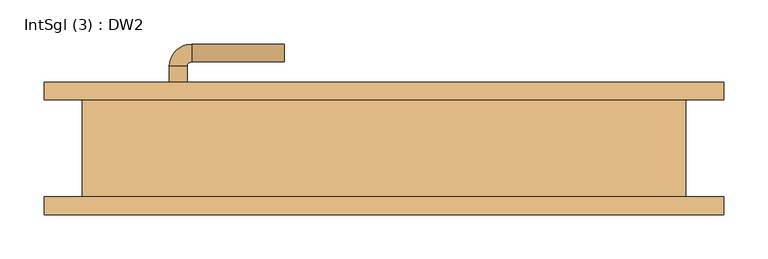
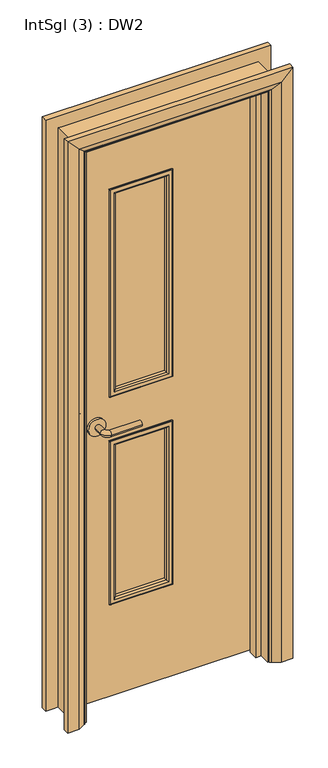
"""IFC4 building model written with IfcOpenShell, lengths in millimetres: door geometry, IntSgl (3) : DW2."""

from ifc_helpers import new_model, si_unit, point, frame, frame_2d, origin, place, context, project, spatial, polyline, circle_curve, ellipse_curve, trimmed, segment, composite_curve, outline, extrude, faceted_brep, source, transform, mapped, element, save
from ifc_brep_helpers import plane_surface, cylinder_surface, revolved_surface, advanced_brep


def intsgl_3_dw2_f2cca43b(model_context):
    return source(origin(), model_context, "Body", "SolidModel", [
        advanced_brep(
        [(-243.0, 9.0, 1000.0), (-223.0, 9.0, 1000.0), (-223.0, -21.0, 1000.0), (-243.0, -21.0, 1000.0), (-218.0, -26.0, 1000.0), (-218.0, -46.0, 1000.0), (-113.0, -46.0, 1000.0), (-113.0, -26.0, 1000.0)],
        [
            (0, 1, circle_curve(frame((-233.0, 9.0, 1000.0), z_axis=(0.0, 1.0, 0.0), x_axis=(1.0, 0.0, 0.0)), 10.0)),
            (1, 0, circle_curve(frame((-233.0, 9.0, 1000.0), z_axis=(0.0, 1.0, 0.0), x_axis=(1.0, 0.0, 0.0)), 10.0)),
            (1, 2),
            (2, 3, circle_curve(frame((-233.0, -21.0, 1000.0), z_axis=(0.0, 1.0, 0.0), x_axis=(1.0, 0.0, 0.0)), 10.0)),
            (3, 0),
            (3, 2, circle_curve(frame((-233.0, -21.0, 1000.0), z_axis=(0.0, 1.0, 0.0), x_axis=(1.0, 0.0, 0.0)), 10.0)),
            (4, 5, circle_curve(frame((-218.0, -36.0, 1000.0), z_axis=(-1.0, 0.0, 0.0), x_axis=(0.0, 1.0, 0.0)), 10.0)),
            (5, 3, circle_curve(frame((-218.0, -21.0, 1000.0), z_axis=(0.0, 0.0, -1.0), x_axis=(-1.0, 0.0, 0.0)), 25.0)),
            (2, 4, circle_curve(frame((-218.0, -21.0, 1000.0), z_axis=(0.0, 0.0, 1.0), x_axis=(-1.0, 0.0, 0.0)), 5.0)),
            (5, 4, circle_curve(frame((-218.0, -36.0, 1000.0), z_axis=(-1.0, 0.0, 0.0), x_axis=(0.0, 1.0, 0.0)), 10.0)),
            (6, 7, circle_curve(frame((-113.0, -36.0, 1000.0), z_axis=(1.0, 0.0, 0.0), x_axis=(0.0, 1.0, 0.0)), 10.0)),
            (7, 6, circle_curve(frame((-113.0, -36.0, 1000.0), z_axis=(1.0, 0.0, 0.0), x_axis=(0.0, 1.0, 0.0)), 10.0)),
            (4, 7),
            (6, 5),
        ],
        [
            plane_surface(frame((-233.0, 9.0, 1000.0), z_axis=(0.0, 1.0, 0.0), x_axis=(0.0, 0.0, 1.0))),
            cylinder_surface(frame((-233.0, 9.0, 1000.0), z_axis=(0.0, 1.0, 0.0), x_axis=(1.0, 0.0, 0.0)), 10.0),
            revolved_surface(trimmed(ellipse_curve(frame((-233.0, -21.0, 1000.0), z_axis=(0.0, -1.0, 0.0), x_axis=(1.0, 0.0, 0.0)), 10.0, 10.0), [point((-243.0, -21.0, 1000.0))], [point((-223.0, -21.0, 1000.0))], True, "CARTESIAN"), (-218.0, -21.0, 1000.0), (0.0, 0.0, -1.0)),
            revolved_surface(trimmed(ellipse_curve(frame((-233.0, -21.0, 1000.0), z_axis=(0.0, -1.0, 0.0), x_axis=(1.0, 0.0, 0.0)), 10.0, 10.0), [point((-223.0, -21.0, 1000.0))], [point((-243.0, -21.0, 1000.0))], True, "CARTESIAN"), (-218.0, -21.0, 1000.0), (0.0, 0.0, -1.0)),
            plane_surface(frame((-113.0, -36.0, 1000.0), z_axis=(1.0, 0.0, 0.0), x_axis=(0.0, 0.0, 1.0))),
            cylinder_surface(frame((-218.0, -36.0, 1000.0), z_axis=(-1.0, 0.0, 0.0), x_axis=(0.0, 1.0, 0.0)), 10.0),
        ],
        [
            (0, [[1, 2]]),
            (1, [[3, 4, 5, -2]]),
            (1, [[-5, 6, -3, -1]]),
            (2, [[7, 8, -4, 9]]),
            (3, [[10, -9, -6, -8]]),
            (4, [[11, 12]]),
            (5, [[13, -11, 14, -7]]),
            (5, [[-14, -12, -13, -10]]),
        ],
    ),
        extrude(outline(composite_curve([segment(trimmed(circle_curve(frame_2d((1000.0, -235.5)), 30.0), [point((1000.0, -265.5))], [point((1000.0, -205.5))], False, "CARTESIAN"), True, "CONTINUOUS"), segment(trimmed(circle_curve(frame_2d((1000.0, -235.5)), 30.0), [point((1000.0, -205.5))], [point((1000.0, -265.5))], False, "CARTESIAN"), True, "CONTINUOUS")], self_intersect=False)), frame((0.0, 9.0, 0.0), z_axis=(0.0, 1.0, 0.0), x_axis=(0.0, 0.0, 1.0)), (0.0, 0.0, 1.0), 8.0),
        advanced_brep(
        [(-243.0, 63.0, 1000.0), (-223.0, 63.0, 1000.0), (-243.0, 93.0, 1000.0), (-223.0, 93.0, 1000.0), (-218.0, 98.0, 1000.0), (-218.0, 118.0, 1000.0), (-113.0, 118.0, 1000.0), (-113.0, 98.0, 1000.0)],
        [
            (0, 1, circle_curve(frame((-233.0, 63.0, 1000.0), z_axis=(0.0, -1.0, 0.0), x_axis=(1.0, 0.0, 0.0)), 10.0)),
            (1, 0, circle_curve(frame((-233.0, 63.0, 1000.0), z_axis=(0.0, -1.0, 0.0), x_axis=(1.0, 0.0, 0.0)), 10.0)),
            (0, 2),
            (2, 3, circle_curve(frame((-233.0, 93.0, 1000.0), z_axis=(0.0, -1.0, 0.0), x_axis=(1.0, 0.0, 0.0)), 10.0)),
            (3, 1),
            (3, 2, circle_curve(frame((-233.0, 93.0, 1000.0), z_axis=(0.0, -1.0, 0.0), x_axis=(1.0, 0.0, 0.0)), 10.0)),
            (4, 3, circle_curve(frame((-218.0, 93.0, 1000.0), z_axis=(0.0, 0.0, 1.0), x_axis=(-1.0, 0.0, 0.0)), 5.0)),
            (2, 5, circle_curve(frame((-218.0, 93.0, 1000.0), z_axis=(0.0, 0.0, -1.0), x_axis=(-1.0, 0.0, 0.0)), 25.0)),
            (5, 4, circle_curve(frame((-218.0, 108.0, 1000.0), z_axis=(-1.0, 0.0, 0.0), x_axis=(0.0, -1.0, 0.0)), 10.0)),
            (4, 5, circle_curve(frame((-218.0, 108.0, 1000.0), z_axis=(-1.0, 0.0, 0.0), x_axis=(0.0, -1.0, 0.0)), 10.0)),
            (6, 7, circle_curve(frame((-113.0, 108.0, 1000.0), z_axis=(1.0, 0.0, 0.0), x_axis=(0.0, -1.0, 0.0)), 10.0)),
            (7, 6, circle_curve(frame((-113.0, 108.0, 1000.0), z_axis=(1.0, 0.0, 0.0), x_axis=(0.0, -1.0, 0.0)), 10.0)),
            (5, 6),
            (7, 4),
        ],
        [
            plane_surface(frame((-233.0, 63.0, 1000.0), z_axis=(0.0, -1.0, 0.0), x_axis=(0.0, 0.0, 1.0))),
            cylinder_surface(frame((-233.0, 63.0, 1000.0), z_axis=(0.0, -1.0, 0.0), x_axis=(1.0, 0.0, 0.0)), 10.0),
            revolved_surface(trimmed(ellipse_curve(frame((-233.0, 93.0, 1000.0), z_axis=(0.0, -1.0, 0.0), x_axis=(1.0, 0.0, 0.0)), 10.0, 10.0), [point((-243.0, 93.0, 1000.0))], [point((-223.0, 93.0, 1000.0))], True, "CARTESIAN"), (-218.0, 93.0, 1000.0), (0.0, 0.0, -1.0)),
            revolved_surface(trimmed(ellipse_curve(frame((-233.0, 93.0, 1000.0), z_axis=(0.0, -1.0, 0.0), x_axis=(1.0, 0.0, 0.0)), 10.0, 10.0), [point((-223.0, 93.0, 1000.0))], [point((-243.0, 93.0, 1000.0))], True, "CARTESIAN"), (-218.0, 93.0, 1000.0), (0.0, 0.0, -1.0)),
            plane_surface(frame((-113.0, 108.0, 1000.0), z_axis=(1.0, 0.0, 0.0), x_axis=(0.0, 0.0, 1.0))),
            cylinder_surface(frame((-218.0, 108.0, 1000.0), z_axis=(-1.0, 0.0, 0.0), x_axis=(0.0, -1.0, 0.0)), 10.0),
        ],
        [
            (0, [[1, 2]]),
            (1, [[-1, 3, 4, 5]]),
            (1, [[-2, -5, 6, -3]]),
            (2, [[7, -4, 8, 9]]),
            (3, [[-8, -6, -7, 10]]),
            (4, [[11, 12]]),
            (5, [[-9, 13, -12, 14]]),
            (5, [[-10, -14, -11, -13]]),
        ],
    ),
        extrude(outline(composite_curve([segment(trimmed(circle_curve(frame_2d((1000.0, -235.5)), 30.0), [point((1000.0, -265.5))], [point((1000.0, -205.5))], False, "CARTESIAN"), True, "CONTINUOUS"), segment(trimmed(circle_curve(frame_2d((1000.0, -235.5)), 30.0), [point((1000.0, -205.5))], [point((1000.0, -265.5))], False, "CARTESIAN"), True, "CONTINUOUS")], self_intersect=False)), frame((0.0, 55.0, 0.0), z_axis=(0.0, 1.0, 0.0), x_axis=(0.0, 0.0, 1.0)), (0.0, 0.0, 1.0), 8.0),
        extrude(outline(polyline([(2058.0, -308.0), (8.0, -308.0), (8.0, 308.0), (2058.0, 308.0), (2058.0, -308.0)]), holes=[polyline([(1833.0, 17.0), (1100.0, 17.0), (1100.0, -183.0), (1833.0, -183.0), (1833.0, 17.0)]), polyline([(925.0, -183.0), (925.0, 17.0), (350.0, 17.0), (350.0, -183.0), (925.0, -183.0)])]), frame((0.0, 17.0, 0.0), z_axis=(0.0, 1.0, 0.0), x_axis=(0.0, 0.0, 1.0)), (0.0, 0.0, 1.0), 38.0),
        advanced_brep(
        [(385.0, 75.0, 0.0), (385.0, 55.0, 0.0), (315.0, 55.0, 0.0), (319.0, 61.0, 0.0), (345.0, 75.0, 0.0), (385.0, 75.0, 2135.0), (385.0, 55.0, 2135.0), (-385.0, 55.0, 2135.0), (-385.0, 55.0, 0.0), (-315.0, 55.0, 0.0), (-315.0, 55.0, 2065.0), (315.0, 55.0, 2065.0), (319.0, 61.0, 2069.0), (345.0, 75.0, 2095.0), (-345.0, 75.0, 2095.0), (-345.0, 75.0, 0.0), (-385.0, 75.0, 0.0), (-385.0, 75.0, 2135.0), (-319.0, 61.0, 2069.0), (-319.0, 61.0, 0.0)],
        [
            (0, 1),
            (1, 2),
            (2, 3, circle_curve(frame((323.0, 54.0, 0.0), z_axis=(0.0, 0.0, -1.0), x_axis=(1.0, 0.0, 0.0)), 8.0622577)),
            (3, 4),
            (4, 0),
            (0, 5),
            (5, 6),
            (6, 1),
            (6, 7),
            (7, 8),
            (8, 9),
            (9, 10),
            (10, 11),
            (11, 2),
            (11, 12, ellipse_curve(frame((323.0, 54.0, 2073.0), z_axis=(0.7071067811865475, 0.0, -0.7071067811865475), x_axis=(-0.7071067811865474, 0.0, -0.7071067811865476)), 11.4017543, 8.0622577)),
            (12, 3),
            (12, 13),
            (13, 4),
            (13, 14),
            (14, 15),
            (15, 16),
            (16, 17),
            (17, 5),
            (17, 7),
            (10, 18, ellipse_curve(frame((-323.0, 54.0, 2073.0), z_axis=(0.7071067811865475, 0.0, 0.7071067811865475), x_axis=(0.7071067811865476, 0.0, -0.7071067811865474)), 11.4017543, 8.0622577)),
            (18, 12),
            (18, 14),
            (15, 19),
            (19, 9, circle_curve(frame((-323.0, 54.0, 0.0), z_axis=(0.0, 0.0, -1.0), x_axis=(-1.0, 0.0, 0.0)), 8.0622577)),
            (8, 16),
            (19, 18),
        ],
        [
            plane_surface(frame((315.0, 55.0, 0.0), z_axis=(0.0, 0.0, -1.0), x_axis=(0.0, -1.0, 0.0))),
            plane_surface(frame((385.0, 75.0, 0.0), z_axis=(1.0, 0.0, 0.0), x_axis=(0.0, 0.0, 1.0))),
            plane_surface(frame((385.0, 55.0, 0.0), z_axis=(0.0, -1.0, 0.0), x_axis=(0.0, 0.0, 1.0))),
            cylinder_surface(frame((323.0, 54.0, 0.0), z_axis=(0.0, 0.0, -1.0), x_axis=(1.0, 0.0, 0.0)), 8.0622577),
            plane_surface(frame((319.0, 61.0, 0.0), z_axis=(-0.4740998230350126, 0.8804710999221779, 0.0), x_axis=(0.0, 0.0, 1.0))),
            plane_surface(frame((345.0, 75.0, 0.0), z_axis=(0.0, 1.0, 0.0), x_axis=(0.0, 0.0, 1.0))),
            plane_surface(frame((385.0, 75.0, 2135.0), z_axis=(0.0, 0.0, 1.0), x_axis=(-1.0, 0.0, 0.0))),
            cylinder_surface(frame((315.0, 54.0, 2073.0), z_axis=(1.0, 0.0, 0.0), x_axis=(0.0, 0.0, 1.0)), 8.0622577),
            plane_surface(frame((319.0, 61.0, 2069.0), z_axis=(0.0, 0.8804710999221763, -0.4740998230350154), x_axis=(-1.0, 0.0, 0.0))),
            plane_surface(frame((-315.0, 55.0, 0.0), z_axis=(0.0, 0.0, -1.0), x_axis=(0.0, -1.0, 0.0))),
            plane_surface(frame((-385.0, 75.0, 2135.0), z_axis=(-1.0, 0.0, 0.0), x_axis=(0.0, 0.0, -1.0))),
            cylinder_surface(frame((-323.0, 54.0, 2065.0), z_axis=(0.0, 0.0, 1.0), x_axis=(-1.0, 0.0, 0.0)), 8.0622577),
            plane_surface(frame((-319.0, 61.0, 2069.0), z_axis=(0.4740998230350183, 0.8804710999221749, 0.0), x_axis=(0.0, 0.0, -1.0))),
        ],
        [
            (0, [[1, 2, 3, 4, 5]]),
            (1, [[-1, 6, 7, 8]]),
            (2, [[-2, -8, 9, 10, 11, 12, 13, 14]]),
            (3, [[-3, -14, 15, 16]]),
            (4, [[-4, -16, 17, 18]]),
            (5, [[-5, -18, 19, 20, 21, 22, 23, -6]]),
            (6, [[-7, -23, 24, -9]]),
            (7, [[-15, -13, 25, 26]]),
            (8, [[-17, -26, 27, -19]]),
            (9, [[-21, 28, 29, -11, 30]]),
            (10, [[-24, -22, -30, -10]]),
            (11, [[-25, -12, -29, 31]]),
            (12, [[-27, -31, -28, -20]]),
        ],
    ),
        extrude(outline(polyline([(0.0, -310.0), (0.0, -291.0), (2041.0, -291.0), (2041.0, 291.0), (0.0, 291.0), (0.0, 310.0), (2060.0, 310.0), (2060.0, -310.0), (0.0, -310.0)])), frame((0.0, -17.0, 0.0), z_axis=(0.0, 1.0, 0.0), x_axis=(0.0, 0.0, 1.0)), (0.0, 0.0, 1.0), 32.0),
        advanced_brep(
        [(-385.0, -75.0, 0.0), (-385.0, -55.0, 0.0), (-315.0, -55.0, 0.0), (-319.0, -61.0, 0.0), (-345.0, -75.0, 0.0), (-385.0, -75.0, 2135.0), (-385.0, -55.0, 2135.0), (-315.0, -55.0, 2065.0), (-319.0, -61.0, 2069.0), (-345.0, -75.0, 2095.0), (385.0, -75.0, 2135.0), (385.0, -55.0, 2135.0), (315.0, -55.0, 2065.0), (319.0, -61.0, 2069.0), (345.0, -75.0, 2095.0), (385.0, -75.0, 0.0), (345.0, -75.0, 0.0), (319.0, -61.0, 0.0), (315.0, -55.0, 0.0), (385.0, -55.0, 0.0)],
        [
            (0, 1),
            (1, 2),
            (2, 3, circle_curve(frame((-323.0, -54.0, 0.0), z_axis=(0.0, 0.0, -1.0), x_axis=(-1.0, 0.0, 0.0)), 8.0622577)),
            (3, 4),
            (4, 0),
            (0, 5),
            (5, 6),
            (6, 1),
            (6, 7),
            (7, 2),
            (7, 8, ellipse_curve(frame((-323.0, -54.0, 2073.0), z_axis=(-0.7071067811865475, 0.0, -0.7071067811865475), x_axis=(0.7071067811865474, 0.0, -0.7071067811865476)), 11.4017543, 8.0622577)),
            (8, 3),
            (8, 9),
            (9, 4),
            (9, 5),
            (5, 10),
            (10, 11),
            (11, 6),
            (11, 12),
            (12, 7),
            (12, 13, ellipse_curve(frame((323.0, -54.0, 2073.0), z_axis=(-0.7071067811865475, 0.0, 0.7071067811865475), x_axis=(-0.7071067811865476, 0.0, -0.7071067811865474)), 11.4017543, 8.0622577)),
            (13, 8),
            (13, 14),
            (14, 9),
            (14, 10),
            (15, 16),
            (16, 17),
            (17, 18, circle_curve(frame((323.0, -54.0, 0.0), z_axis=(0.0, 0.0, -1.0), x_axis=(1.0, 0.0, 0.0)), 8.0622577)),
            (18, 19),
            (19, 15),
            (10, 15),
            (19, 11),
            (18, 12),
            (17, 13),
            (16, 14),
        ],
        [
            plane_surface(frame((-315.0, -127.8010989, 0.0), z_axis=(0.0, 0.0, -1.0), x_axis=(1.0, 0.0, 0.0))),
            plane_surface(frame((-385.0, -75.0, 0.0), z_axis=(-1.0, 0.0, 0.0), x_axis=(0.0, 0.0, 1.0))),
            plane_surface(frame((-385.0, -55.0, 0.0), z_axis=(0.0, 1.0, 0.0), x_axis=(0.0, 0.0, 1.0))),
            cylinder_surface(frame((-323.0, -54.0, 0.0), z_axis=(0.0, 0.0, -1.0), x_axis=(-1.0, 0.0, 0.0)), 8.0622577),
            plane_surface(frame((-319.0, -61.0, 0.0), z_axis=(0.4740998230350183, -0.8804710999221749, 0.0), x_axis=(0.0, 0.0, 1.0))),
            plane_surface(frame((-345.0, -75.0, 0.0), z_axis=(0.0, -1.0, 0.0), x_axis=(0.0, 0.0, 1.0))),
            plane_surface(frame((-385.0, -75.0, 2135.0), z_axis=(0.0, 0.0, 1.0), x_axis=(1.0, 0.0, 0.0))),
            plane_surface(frame((-385.0, -55.0, 2135.0), z_axis=(0.0, 1.0, 0.0), x_axis=(1.0, 0.0, 0.0))),
            cylinder_surface(frame((-315.0, -54.0, 2073.0), z_axis=(-1.0, 0.0, 0.0), x_axis=(0.0, 0.0, 1.0)), 8.0622577),
            plane_surface(frame((-319.0, -61.0, 2069.0), z_axis=(0.0, -0.8804710999221749, -0.4740998230350183), x_axis=(1.0, 0.0, 0.0))),
            plane_surface(frame((-345.0, -75.0, 2095.0), z_axis=(0.0, -1.0, 0.0), x_axis=(1.0, 0.0, 0.0))),
            plane_surface(frame((315.0, -127.8010989, 0.0), z_axis=(0.0, 0.0, -1.0), x_axis=(-1.0, 0.0, 0.0))),
            plane_surface(frame((385.0, -75.0, 2135.0), z_axis=(1.0, 0.0, 0.0), x_axis=(0.0, 0.0, -1.0))),
            plane_surface(frame((385.0, -55.0, 2135.0), z_axis=(0.0, 1.0, 0.0), x_axis=(0.0, 0.0, -1.0))),
            cylinder_surface(frame((323.0, -54.0, 2065.0), z_axis=(0.0, 0.0, 1.0), x_axis=(1.0, 0.0, 0.0)), 8.0622577),
            plane_surface(frame((319.0, -61.0, 2069.0), z_axis=(-0.4740998230350183, -0.8804710999221749, 0.0), x_axis=(0.0, 0.0, -1.0))),
            plane_surface(frame((345.0, -75.0, 2095.0), z_axis=(0.0, -1.0, 0.0), x_axis=(0.0, 0.0, -1.0))),
        ],
        [
            (0, [[1, 2, 3, 4, 5]]),
            (1, [[-1, 6, 7, 8]]),
            (2, [[-2, -8, 9, 10]]),
            (3, [[-3, -10, 11, 12]]),
            (4, [[-4, -12, 13, 14]]),
            (5, [[-5, -14, 15, -6]]),
            (6, [[-7, 16, 17, 18]]),
            (7, [[-9, -18, 19, 20]]),
            (8, [[-11, -20, 21, 22]]),
            (9, [[-13, -22, 23, 24]]),
            (10, [[-15, -24, 25, -16]]),
            (11, [[26, 27, 28, 29, 30]]),
            (12, [[-17, 31, -30, 32]]),
            (13, [[-19, -32, -29, 33]]),
            (14, [[-21, -33, -28, 34]]),
            (15, [[-23, -34, -27, 35]]),
            (16, [[-25, -35, -26, -31]]),
        ],
    ),
        faceted_brep([(-310.0, 55.0, 0.0), (-310.0, -55.0, 0.0), (-342.0, -55.0, 0.0), (-342.0, 55.0, 0.0), (-310.0, 55.0, 2060.0), (-310.0, -55.0, 2060.0), (-342.0, -55.0, 2092.0), (-342.0, 55.0, 2092.0), (310.0, 55.0, 2060.0), (310.0, -55.0, 2060.0), (342.0, -55.0, 2092.0), (342.0, 55.0, 2092.0), (310.0, 55.0, 0.0), (342.0, 55.0, 0.0), (342.0, -55.0, 0.0), (310.0, -55.0, 0.0)], [[[0, 1, 2, 3]], [[1, 0, 4, 5]], [[2, 1, 5, 6]], [[3, 2, 6, 7]], [[0, 3, 7, 4]], [[5, 4, 8, 9]], [[6, 5, 9, 10]], [[7, 6, 10, 11]], [[4, 7, 11, 8]], [[12, 13, 14, 15]], [[9, 8, 12, 15]], [[10, 9, 15, 14]], [[11, 10, 14, 13]], [[8, 11, 13, 12]]]),
        advanced_brep(
        [(17.0, 27.0, 925.0), (17.0, 17.0, 925.0), (17.0, 17.0, 350.0), (17.0, 27.0, 350.0), (5.0, 16.0, 913.0), (5.0, 27.0, 913.0), (5.0, 27.0, 362.0), (5.0, 16.0, 362.0), (10.0, 11.0, 918.0), (10.0, 11.0, 357.0), (25.0, 13.0, 933.0), (23.0, 11.0, 931.0), (23.0, 11.0, 344.0), (25.0, 13.0, 342.0), (25.0, 17.0, 933.0), (25.0, 17.0, 342.0), (-183.0, 17.0, 350.0), (-183.0, 27.0, 350.0), (-171.0, 27.0, 362.0), (-171.0, 16.0, 362.0), (-176.0, 11.0, 357.0), (-189.0, 11.0, 344.0), (-191.0, 13.0, 342.0), (-191.0, 17.0, 342.0), (-183.0, 17.0, 925.0), (-183.0, 27.0, 925.0), (-171.0, 27.0, 913.0), (-171.0, 16.0, 913.0), (-176.0, 11.0, 918.0), (-189.0, 11.0, 931.0), (-191.0, 13.0, 933.0), (-191.0, 17.0, 933.0)],
        [
            (0, 1),
            (1, 2),
            (2, 3),
            (3, 0),
            (4, 5),
            (5, 6),
            (6, 7),
            (7, 4),
            (8, 4, ellipse_curve(frame((10.0, 16.0, 918.0), z_axis=(0.7071067811865475, 0.0, -0.7071067811865475), x_axis=(0.7071067811865474, 0.0, 0.7071067811865476)), 7.0710678, 5.0)),
            (7, 9, ellipse_curve(frame((10.0, 16.0, 357.0), z_axis=(0.7071067811865475, 0.0, 0.7071067811865475), x_axis=(-0.7071067811865474, 0.0, 0.7071067811865476)), 7.0710678, 5.0)),
            (9, 8),
            (10, 11, ellipse_curve(frame((23.0, 13.0, 931.0), z_axis=(0.7071067811865475, 0.0, -0.7071067811865475), x_axis=(0.7071067811865474, 0.0, 0.7071067811865476)), 2.8284271, 2.0)),
            (11, 12),
            (12, 13, ellipse_curve(frame((23.0, 13.0, 344.0), z_axis=(0.7071067811865475, 0.0, 0.7071067811865475), x_axis=(-0.7071067811865474, 0.0, 0.7071067811865476)), 2.8284271, 2.0)),
            (13, 10),
            (14, 10),
            (13, 15),
            (15, 14),
            (2, 16),
            (16, 17),
            (17, 3),
            (6, 18),
            (18, 19),
            (19, 7),
            (19, 20, ellipse_curve(frame((-176.0, 16.0, 357.0), z_axis=(0.7071067811865475, 0.0, -0.7071067811865475), x_axis=(0.7071067811865476, 0.0, 0.7071067811865474)), 7.0710678, 5.0)),
            (20, 9),
            (12, 21),
            (21, 22, ellipse_curve(frame((-189.0, 13.0, 344.0), z_axis=(0.7071067811865475, 0.0, -0.7071067811865475), x_axis=(0.7071067811865476, 0.0, 0.7071067811865474)), 2.8284271, 2.0)),
            (22, 13),
            (22, 23),
            (23, 15),
            (16, 24),
            (24, 25),
            (25, 17),
            (18, 26),
            (26, 27),
            (27, 19),
            (27, 28, ellipse_curve(frame((-176.0, 16.0, 918.0), z_axis=(-0.7071067811865475, 0.0, -0.7071067811865475), x_axis=(0.7071067811865474, 0.0, -0.7071067811865476)), 7.0710678, 5.0)),
            (28, 20),
            (21, 29),
            (29, 30, ellipse_curve(frame((-189.0, 13.0, 931.0), z_axis=(-0.7071067811865475, 0.0, -0.7071067811865475), x_axis=(0.7071067811865474, 0.0, -0.7071067811865476)), 2.8284271, 2.0)),
            (30, 22),
            (30, 31),
            (31, 23),
            (31, 14),
            (1, 24),
            (0, 25),
            (5, 26),
            (4, 27),
            (8, 28),
            (11, 29),
            (10, 30),
        ],
        [
            plane_surface(frame((17.0, 17.0, 925.0), z_axis=(1.0, 0.0, 0.0), x_axis=(0.0, 0.0, -1.0))),
            plane_surface(frame((5.0, 27.0, 913.0), z_axis=(-1.0, 0.0, 0.0), x_axis=(0.0, 0.0, -1.0))),
            cylinder_surface(frame((10.0, 16.0, 925.0), z_axis=(0.0, 0.0, 1.0), x_axis=(1.0, 0.0, 0.0)), 5.0),
            cylinder_surface(frame((23.0, 13.0, 925.0), z_axis=(0.0, 0.0, 1.0), x_axis=(1.0, 0.0, 0.0)), 2.0),
            plane_surface(frame((25.0, 13.0, 933.0), z_axis=(1.0, 0.0, 0.0), x_axis=(0.0, 0.0, -1.0))),
            plane_surface(frame((17.0, 17.0, 350.0), z_axis=(0.0, 0.0, -1.0), x_axis=(-1.0, 0.0, 0.0))),
            plane_surface(frame((5.0, 27.0, 362.0), z_axis=(0.0, 0.0, 1.0), x_axis=(-1.0, 0.0, 0.0))),
            cylinder_surface(frame((17.0, 16.0, 357.0), z_axis=(1.0, 0.0, 0.0), x_axis=(0.0, 0.0, -1.0)), 5.0),
            cylinder_surface(frame((17.0, 13.0, 344.0), z_axis=(1.0, 0.0, 0.0), x_axis=(0.0, 0.0, -1.0)), 2.0),
            plane_surface(frame((25.0, 13.0, 342.0), z_axis=(0.0, 0.0, -1.0), x_axis=(-1.0, 0.0, 0.0))),
            plane_surface(frame((-183.0, 17.0, 350.0), z_axis=(-1.0, 0.0, 0.0), x_axis=(0.0, 0.0, 1.0))),
            plane_surface(frame((-171.0, 27.0, 362.0), z_axis=(1.0, 0.0, 0.0), x_axis=(0.0, 0.0, 1.0))),
            cylinder_surface(frame((-176.0, 16.0, 350.0), z_axis=(0.0, 0.0, -1.0), x_axis=(-1.0, 0.0, 0.0)), 5.0),
            cylinder_surface(frame((-189.0, 13.0, 350.0), z_axis=(0.0, 0.0, -1.0), x_axis=(-1.0, 0.0, 0.0)), 2.0),
            plane_surface(frame((-191.0, 13.0, 342.0), z_axis=(-1.0, 0.0, 0.0), x_axis=(0.0, 0.0, 1.0))),
            plane_surface(frame((-191.0, 17.0, 933.0), z_axis=(0.0, 1.0, 0.0), x_axis=(1.0, 0.0, 0.0))),
            plane_surface(frame((-183.0, 17.0, 925.0), z_axis=(0.0, 0.0, 1.0), x_axis=(1.0, 0.0, 0.0))),
            plane_surface(frame((-183.0, 27.0, 925.0), z_axis=(0.0, 1.0, 0.0), x_axis=(1.0, 0.0, 0.0))),
            plane_surface(frame((-171.0, 27.0, 913.0), z_axis=(0.0, 0.0, -1.0), x_axis=(1.0, 0.0, 0.0))),
            cylinder_surface(frame((-183.0, 16.0, 918.0), z_axis=(-1.0, 0.0, 0.0), x_axis=(0.0, 0.0, 1.0)), 5.0),
            plane_surface(frame((-176.0, 11.0, 918.0), z_axis=(0.0, -1.0, 0.0), x_axis=(1.0, 0.0, 0.0))),
            cylinder_surface(frame((-183.0, 13.0, 931.0), z_axis=(-1.0, 0.0, 0.0), x_axis=(0.0, 0.0, 1.0)), 2.0),
            plane_surface(frame((-191.0, 13.0, 933.0), z_axis=(0.0, 0.0, 1.0), x_axis=(1.0, 0.0, 0.0))),
        ],
        [
            (0, [[1, 2, 3, 4]]),
            (1, [[5, 6, 7, 8]]),
            (2, [[9, -8, 10, 11]]),
            (3, [[12, 13, 14, 15]]),
            (4, [[16, -15, 17, 18]]),
            (5, [[-3, 19, 20, 21]]),
            (6, [[-7, 22, 23, 24]]),
            (7, [[-10, -24, 25, 26]]),
            (8, [[-14, 27, 28, 29]]),
            (9, [[-17, -29, 30, 31]]),
            (10, [[-20, 32, 33, 34]]),
            (11, [[-23, 35, 36, 37]]),
            (12, [[-25, -37, 38, 39]]),
            (13, [[-28, 40, 41, 42]]),
            (14, [[-30, -42, 43, 44]]),
            (15, [[-31, -44, 45, -18], [46, -32, -19, -2]]),
            (16, [[-33, -46, -1, 47]]),
            (17, [[-21, -34, -47, -4], [48, -35, -22, -6]]),
            (18, [[-36, -48, -5, 49]]),
            (19, [[-38, -49, -9, 50]]),
            (20, [[51, -40, -27, -13], [-26, -39, -50, -11]]),
            (21, [[-41, -51, -12, 52]]),
            (22, [[-43, -52, -16, -45]]),
        ],
    ),
        advanced_brep(
        [(-183.0, 45.0, 925.0), (-183.0, 55.0, 925.0), (-183.0, 55.0, 350.0), (-183.0, 45.0, 350.0), (-171.0, 56.0, 913.0), (-171.0, 45.0, 913.0), (-171.0, 45.0, 362.0), (-171.0, 56.0, 362.0), (-176.0, 61.0, 918.0), (-176.0, 61.0, 357.0), (-191.0, 59.0, 933.0), (-189.0, 61.0, 931.0), (-189.0, 61.0, 344.0), (-191.0, 59.0, 342.0), (-191.0, 55.0, 933.0), (-191.0, 55.0, 342.0), (17.0, 55.0, 350.0), (17.0, 45.0, 350.0), (5.0, 45.0, 362.0), (5.0, 56.0, 362.0), (10.0, 61.0, 357.0), (23.0, 61.0, 344.0), (25.0, 59.0, 342.0), (25.0, 55.0, 342.0), (17.0, 55.0, 925.0), (17.0, 45.0, 925.0), (5.0, 45.0, 913.0), (5.0, 56.0, 913.0), (10.0, 61.0, 918.0), (23.0, 61.0, 931.0), (25.0, 59.0, 933.0), (25.0, 55.0, 933.0)],
        [
            (0, 1),
            (1, 2),
            (2, 3),
            (3, 0),
            (4, 5),
            (5, 6),
            (6, 7),
            (7, 4),
            (8, 4, ellipse_curve(frame((-176.0, 56.0, 918.0), z_axis=(-0.7071067811865475, 0.0, -0.7071067811865475), x_axis=(-0.7071067811865474, 0.0, 0.7071067811865476)), 7.0710678, 5.0)),
            (7, 9, ellipse_curve(frame((-176.0, 56.0, 357.0), z_axis=(-0.7071067811865475, 0.0, 0.7071067811865475), x_axis=(0.7071067811865474, 0.0, 0.7071067811865476)), 7.0710678, 5.0)),
            (9, 8),
            (10, 11, ellipse_curve(frame((-189.0, 59.0, 931.0), z_axis=(-0.7071067811865475, 0.0, -0.7071067811865475), x_axis=(-0.7071067811865474, 0.0, 0.7071067811865476)), 2.8284271, 2.0)),
            (11, 12),
            (12, 13, ellipse_curve(frame((-189.0, 59.0, 344.0), z_axis=(-0.7071067811865475, 0.0, 0.7071067811865475), x_axis=(0.7071067811865474, 0.0, 0.7071067811865476)), 2.8284271, 2.0)),
            (13, 10),
            (14, 10),
            (13, 15),
            (15, 14),
            (2, 16),
            (16, 17),
            (17, 3),
            (6, 18),
            (18, 19),
            (19, 7),
            (19, 20, ellipse_curve(frame((10.0, 56.0, 357.0), z_axis=(-0.7071067811865475, 0.0, -0.7071067811865475), x_axis=(-0.7071067811865476, 0.0, 0.7071067811865474)), 7.0710678, 5.0)),
            (20, 9),
            (12, 21),
            (21, 22, ellipse_curve(frame((23.0, 59.0, 344.0), z_axis=(-0.7071067811865475, 0.0, -0.7071067811865475), x_axis=(-0.7071067811865476, 0.0, 0.7071067811865474)), 2.8284271, 2.0)),
            (22, 13),
            (22, 23),
            (23, 15),
            (16, 24),
            (24, 25),
            (25, 17),
            (18, 26),
            (26, 27),
            (27, 19),
            (27, 28, ellipse_curve(frame((10.0, 56.0, 918.0), z_axis=(0.7071067811865475, 0.0, -0.7071067811865475), x_axis=(-0.7071067811865474, 0.0, -0.7071067811865476)), 7.0710678, 5.0)),
            (28, 20),
            (21, 29),
            (29, 30, ellipse_curve(frame((23.0, 59.0, 931.0), z_axis=(0.7071067811865475, 0.0, -0.7071067811865475), x_axis=(-0.7071067811865474, 0.0, -0.7071067811865476)), 2.8284271, 2.0)),
            (30, 22),
            (30, 31),
            (31, 23),
            (31, 14),
            (1, 24),
            (0, 25),
            (5, 26),
            (4, 27),
            (8, 28),
            (11, 29),
            (10, 30),
        ],
        [
            plane_surface(frame((-183.0, 55.0, 925.0), z_axis=(-1.0, 0.0, 0.0), x_axis=(0.0, 0.0, -1.0))),
            plane_surface(frame((-171.0, 45.0, 913.0), z_axis=(1.0, 0.0, 0.0), x_axis=(0.0, 0.0, -1.0))),
            cylinder_surface(frame((-176.0, 56.0, 925.0), z_axis=(0.0, 0.0, 1.0), x_axis=(-1.0, 0.0, 0.0)), 5.0),
            cylinder_surface(frame((-189.0, 59.0, 925.0), z_axis=(0.0, 0.0, 1.0), x_axis=(-1.0, 0.0, 0.0)), 2.0),
            plane_surface(frame((-191.0, 59.0, 933.0), z_axis=(-1.0, 0.0, 0.0), x_axis=(0.0, 0.0, -1.0))),
            plane_surface(frame((-183.0, 55.0, 350.0), z_axis=(0.0, 0.0, -1.0), x_axis=(1.0, 0.0, 0.0))),
            plane_surface(frame((-171.0, 45.0, 362.0), z_axis=(0.0, 0.0, 1.0), x_axis=(1.0, 0.0, 0.0))),
            cylinder_surface(frame((-183.0, 56.0, 357.0), z_axis=(-1.0, 0.0, 0.0), x_axis=(0.0, 0.0, -1.0)), 5.0),
            cylinder_surface(frame((-183.0, 59.0, 344.0), z_axis=(-1.0, 0.0, 0.0), x_axis=(0.0, 0.0, -1.0)), 2.0),
            plane_surface(frame((-191.0, 59.0, 342.0), z_axis=(0.0, 0.0, -1.0), x_axis=(1.0, 0.0, 0.0))),
            plane_surface(frame((17.0, 55.0, 350.0), z_axis=(1.0, 0.0, 0.0), x_axis=(0.0, 0.0, 1.0))),
            plane_surface(frame((5.0, 45.0, 362.0), z_axis=(-1.0, 0.0, 0.0), x_axis=(0.0, 0.0, 1.0))),
            cylinder_surface(frame((10.0, 56.0, 350.0), z_axis=(0.0, 0.0, -1.0), x_axis=(1.0, 0.0, 0.0)), 5.0),
            cylinder_surface(frame((23.0, 59.0, 350.0), z_axis=(0.0, 0.0, -1.0), x_axis=(1.0, 0.0, 0.0)), 2.0),
            plane_surface(frame((25.0, 59.0, 342.0), z_axis=(1.0, 0.0, 0.0), x_axis=(0.0, 0.0, 1.0))),
            plane_surface(frame((25.0, 55.0, 933.0), z_axis=(0.0, -1.0, 0.0), x_axis=(-1.0, 0.0, 0.0))),
            plane_surface(frame((17.0, 55.0, 925.0), z_axis=(0.0, 0.0, 1.0), x_axis=(-1.0, 0.0, 0.0))),
            plane_surface(frame((17.0, 45.0, 925.0), z_axis=(0.0, -1.0, 0.0), x_axis=(-1.0, 0.0, 0.0))),
            plane_surface(frame((5.0, 45.0, 913.0), z_axis=(0.0, 0.0, -1.0), x_axis=(-1.0, 0.0, 0.0))),
            cylinder_surface(frame((17.0, 56.0, 918.0), z_axis=(1.0, 0.0, 0.0), x_axis=(0.0, 0.0, 1.0)), 5.0),
            plane_surface(frame((10.0, 61.0, 918.0), z_axis=(0.0, 1.0, 0.0), x_axis=(-1.0, 0.0, 0.0))),
            cylinder_surface(frame((17.0, 59.0, 931.0), z_axis=(1.0, 0.0, 0.0), x_axis=(0.0, 0.0, 1.0)), 2.0),
            plane_surface(frame((25.0, 59.0, 933.0), z_axis=(0.0, 0.0, 1.0), x_axis=(-1.0, 0.0, 0.0))),
        ],
        [
            (0, [[1, 2, 3, 4]]),
            (1, [[5, 6, 7, 8]]),
            (2, [[9, -8, 10, 11]]),
            (3, [[12, 13, 14, 15]]),
            (4, [[16, -15, 17, 18]]),
            (5, [[-3, 19, 20, 21]]),
            (6, [[-7, 22, 23, 24]]),
            (7, [[-10, -24, 25, 26]]),
            (8, [[-14, 27, 28, 29]]),
            (9, [[-17, -29, 30, 31]]),
            (10, [[-20, 32, 33, 34]]),
            (11, [[-23, 35, 36, 37]]),
            (12, [[-25, -37, 38, 39]]),
            (13, [[-28, 40, 41, 42]]),
            (14, [[-30, -42, 43, 44]]),
            (15, [[-31, -44, 45, -18], [46, -32, -19, -2]]),
            (16, [[-33, -46, -1, 47]]),
            (17, [[-21, -34, -47, -4], [48, -35, -22, -6]]),
            (18, [[-36, -48, -5, 49]]),
            (19, [[-38, -49, -9, 50]]),
            (20, [[51, -40, -27, -13], [-26, -39, -50, -11]]),
            (21, [[-41, -51, -12, 52]]),
            (22, [[-43, -52, -16, -45]]),
        ],
    ),
        extrude(outline(polyline([(-183.0, 45.0), (17.0, 45.0), (17.0, 27.0), (-183.0, 27.0), (-183.0, 45.0)])), frame((0.0, 0.0, 1100.0), z_axis=(0.0, 0.0, 1.0), x_axis=(1.0, 0.0, 0.0)), (0.0, 0.0, 1.0), 733.0),
        extrude(outline(polyline([(-183.0, 45.0), (17.0, 45.0), (17.0, 27.0), (-183.0, 27.0), (-183.0, 45.0)])), frame((0.0, 0.0, 350.0), z_axis=(0.0, 0.0, 1.0), x_axis=(1.0, 0.0, 0.0)), (0.0, 0.0, 1.0), 575.0),
        advanced_brep(
        [(17.0, 27.0, 1833.0), (17.0, 17.0, 1833.0), (17.0, 17.0, 1100.0), (17.0, 27.0, 1100.0), (5.0, 16.0, 1821.0), (5.0, 27.0, 1821.0), (5.0, 27.0, 1112.0), (5.0, 16.0, 1112.0), (10.0, 11.0, 1826.0), (10.0, 11.0, 1107.0), (25.0, 13.0, 1841.0), (23.0, 11.0, 1839.0), (23.0, 11.0, 1094.0), (25.0, 13.0, 1092.0), (25.0, 17.0, 1841.0), (25.0, 17.0, 1092.0), (-183.0, 17.0, 1100.0), (-183.0, 27.0, 1100.0), (-171.0, 27.0, 1112.0), (-171.0, 16.0, 1112.0), (-176.0, 11.0, 1107.0), (-189.0, 11.0, 1094.0), (-191.0, 13.0, 1092.0), (-191.0, 17.0, 1092.0), (-183.0, 17.0, 1833.0), (-183.0, 27.0, 1833.0), (-171.0, 27.0, 1821.0), (-171.0, 16.0, 1821.0), (-176.0, 11.0, 1826.0), (-189.0, 11.0, 1839.0), (-191.0, 13.0, 1841.0), (-191.0, 17.0, 1841.0)],
        [
            (0, 1),
            (1, 2),
            (2, 3),
            (3, 0),
            (4, 5),
            (5, 6),
            (6, 7),
            (7, 4),
            (8, 4, ellipse_curve(frame((10.0, 16.0, 1826.0), z_axis=(0.7071067811865475, 0.0, -0.7071067811865475), x_axis=(0.7071067811865474, 0.0, 0.7071067811865476)), 7.0710678, 5.0)),
            (7, 9, ellipse_curve(frame((10.0, 16.0, 1107.0), z_axis=(0.7071067811865475, 0.0, 0.7071067811865475), x_axis=(-0.7071067811865474, 0.0, 0.7071067811865476)), 7.0710678, 5.0)),
            (9, 8),
            (10, 11, ellipse_curve(frame((23.0, 13.0, 1839.0), z_axis=(0.7071067811865475, 0.0, -0.7071067811865475), x_axis=(0.7071067811865474, 0.0, 0.7071067811865476)), 2.8284271, 2.0)),
            (11, 12),
            (12, 13, ellipse_curve(frame((23.0, 13.0, 1094.0), z_axis=(0.7071067811865475, 0.0, 0.7071067811865475), x_axis=(-0.7071067811865474, 0.0, 0.7071067811865476)), 2.8284271, 2.0)),
            (13, 10),
            (14, 10),
            (13, 15),
            (15, 14),
            (2, 16),
            (16, 17),
            (17, 3),
            (6, 18),
            (18, 19),
            (19, 7),
            (19, 20, ellipse_curve(frame((-176.0, 16.0, 1107.0), z_axis=(0.7071067811865475, 0.0, -0.7071067811865475), x_axis=(0.7071067811865476, 0.0, 0.7071067811865474)), 7.0710678, 5.0)),
            (20, 9),
            (12, 21),
            (21, 22, ellipse_curve(frame((-189.0, 13.0, 1094.0), z_axis=(0.7071067811865475, 0.0, -0.7071067811865475), x_axis=(0.7071067811865476, 0.0, 0.7071067811865474)), 2.8284271, 2.0)),
            (22, 13),
            (22, 23),
            (23, 15),
            (16, 24),
            (24, 25),
            (25, 17),
            (18, 26),
            (26, 27),
            (27, 19),
            (27, 28, ellipse_curve(frame((-176.0, 16.0, 1826.0), z_axis=(-0.7071067811865475, 0.0, -0.7071067811865475), x_axis=(0.7071067811865474, 0.0, -0.7071067811865476)), 7.0710678, 5.0)),
            (28, 20),
            (21, 29),
            (29, 30, ellipse_curve(frame((-189.0, 13.0, 1839.0), z_axis=(-0.7071067811865475, 0.0, -0.7071067811865475), x_axis=(0.7071067811865474, 0.0, -0.7071067811865476)), 2.8284271, 2.0)),
            (30, 22),
            (30, 31),
            (31, 23),
            (31, 14),
            (1, 24),
            (0, 25),
            (5, 26),
            (4, 27),
            (8, 28),
            (11, 29),
            (10, 30),
        ],
        [
            plane_surface(frame((17.0, 17.0, 1833.0), z_axis=(1.0, 0.0, 0.0), x_axis=(0.0, 0.0, -1.0))),
            plane_surface(frame((5.0, 27.0, 1821.0), z_axis=(-1.0, 0.0, 0.0), x_axis=(0.0, 0.0, -1.0))),
            cylinder_surface(frame((10.0, 16.0, 1833.0), z_axis=(0.0, 0.0, 1.0), x_axis=(1.0, 0.0, 0.0)), 5.0),
            cylinder_surface(frame((23.0, 13.0, 1833.0), z_axis=(0.0, 0.0, 1.0), x_axis=(1.0, 0.0, 0.0)), 2.0),
            plane_surface(frame((25.0, 13.0, 1841.0), z_axis=(1.0, 0.0, 0.0), x_axis=(0.0, 0.0, -1.0))),
            plane_surface(frame((17.0, 17.0, 1100.0), z_axis=(0.0, 0.0, -1.0), x_axis=(-1.0, 0.0, 0.0))),
            plane_surface(frame((5.0, 27.0, 1112.0), z_axis=(0.0, 0.0, 1.0), x_axis=(-1.0, 0.0, 0.0))),
            cylinder_surface(frame((17.0, 16.0, 1107.0), z_axis=(1.0, 0.0, 0.0), x_axis=(0.0, 0.0, -1.0)), 5.0),
            cylinder_surface(frame((17.0, 13.0, 1094.0), z_axis=(1.0, 0.0, 0.0), x_axis=(0.0, 0.0, -1.0)), 2.0),
            plane_surface(frame((25.0, 13.0, 1092.0), z_axis=(0.0, 0.0, -1.0), x_axis=(-1.0, 0.0, 0.0))),
            plane_surface(frame((-183.0, 17.0, 1100.0), z_axis=(-1.0, 0.0, 0.0), x_axis=(0.0, 0.0, 1.0))),
            plane_surface(frame((-171.0, 27.0, 1112.0), z_axis=(1.0, 0.0, 0.0), x_axis=(0.0, 0.0, 1.0))),
            cylinder_surface(frame((-176.0, 16.0, 1100.0), z_axis=(0.0, 0.0, -1.0), x_axis=(-1.0, 0.0, 0.0)), 5.0),
            cylinder_surface(frame((-189.0, 13.0, 1100.0), z_axis=(0.0, 0.0, -1.0), x_axis=(-1.0, 0.0, 0.0)), 2.0),
            plane_surface(frame((-191.0, 13.0, 1092.0), z_axis=(-1.0, 0.0, 0.0), x_axis=(0.0, 0.0, 1.0))),
            plane_surface(frame((-191.0, 17.0, 1841.0), z_axis=(0.0, 1.0, 0.0), x_axis=(1.0, 0.0, 0.0))),
            plane_surface(frame((-183.0, 17.0, 1833.0), z_axis=(0.0, 0.0, 1.0), x_axis=(1.0, 0.0, 0.0))),
            plane_surface(frame((-183.0, 27.0, 1833.0), z_axis=(0.0, 1.0, 0.0), x_axis=(1.0, 0.0, 0.0))),
            plane_surface(frame((-171.0, 27.0, 1821.0), z_axis=(0.0, 0.0, -1.0), x_axis=(1.0, 0.0, 0.0))),
            cylinder_surface(frame((-183.0, 16.0, 1826.0), z_axis=(-1.0, 0.0, 0.0), x_axis=(0.0, 0.0, 1.0)), 5.0),
            plane_surface(frame((-176.0, 11.0, 1826.0), z_axis=(0.0, -1.0, 0.0), x_axis=(1.0, 0.0, 0.0))),
            cylinder_surface(frame((-183.0, 13.0, 1839.0), z_axis=(-1.0, 0.0, 0.0), x_axis=(0.0, 0.0, 1.0)), 2.0),
            plane_surface(frame((-191.0, 13.0, 1841.0), z_axis=(0.0, 0.0, 1.0), x_axis=(1.0, 0.0, 0.0))),
        ],
        [
            (0, [[1, 2, 3, 4]]),
            (1, [[5, 6, 7, 8]]),
            (2, [[9, -8, 10, 11]]),
            (3, [[12, 13, 14, 15]]),
            (4, [[16, -15, 17, 18]]),
            (5, [[-3, 19, 20, 21]]),
            (6, [[-7, 22, 23, 24]]),
            (7, [[-10, -24, 25, 26]]),
            (8, [[-14, 27, 28, 29]]),
            (9, [[-17, -29, 30, 31]]),
            (10, [[-20, 32, 33, 34]]),
            (11, [[-23, 35, 36, 37]]),
            (12, [[-25, -37, 38, 39]]),
            (13, [[-28, 40, 41, 42]]),
            (14, [[-30, -42, 43, 44]]),
            (15, [[-31, -44, 45, -18], [46, -32, -19, -2]]),
            (16, [[-33, -46, -1, 47]]),
            (17, [[-21, -34, -47, -4], [48, -35, -22, -6]]),
            (18, [[-36, -48, -5, 49]]),
            (19, [[-38, -49, -9, 50]]),
            (20, [[51, -40, -27, -13], [-26, -39, -50, -11]]),
            (21, [[-41, -51, -12, 52]]),
            (22, [[-43, -52, -16, -45]]),
        ],
    ),
        advanced_brep(
        [(25.0, 59.0, 1841.0), (25.0, 55.0, 1841.0), (25.0, 55.0, 1092.0), (25.0, 59.0, 1092.0), (23.0, 61.0, 1839.0), (23.0, 61.0, 1094.0), (5.0, 56.0, 1821.0), (10.0, 61.0, 1826.0), (10.0, 61.0, 1107.0), (5.0, 56.0, 1112.0), (5.0, 45.0, 1821.0), (5.0, 45.0, 1112.0), (17.0, 55.0, 1833.0), (17.0, 45.0, 1833.0), (17.0, 45.0, 1100.0), (17.0, 55.0, 1100.0), (-191.0, 55.0, 1092.0), (-191.0, 59.0, 1092.0), (-189.0, 61.0, 1094.0), (-176.0, 61.0, 1107.0), (-171.0, 56.0, 1112.0), (-171.0, 45.0, 1112.0), (-183.0, 45.0, 1100.0), (-183.0, 55.0, 1100.0), (-191.0, 55.0, 1841.0), (-191.0, 59.0, 1841.0), (-189.0, 61.0, 1839.0), (-176.0, 61.0, 1826.0), (-171.0, 56.0, 1821.0), (-171.0, 45.0, 1821.0), (-183.0, 45.0, 1833.0), (-183.0, 55.0, 1833.0)],
        [
            (0, 1),
            (1, 2),
            (2, 3),
            (3, 0),
            (4, 0, ellipse_curve(frame((23.0, 59.0, 1839.0), z_axis=(0.7071067811865475, 0.0, -0.7071067811865475), x_axis=(0.7071067811865474, 0.0, 0.7071067811865476)), 2.8284271, 2.0)),
            (3, 5, ellipse_curve(frame((23.0, 59.0, 1094.0), z_axis=(0.7071067811865475, 0.0, 0.7071067811865475), x_axis=(-0.7071067811865474, 0.0, 0.7071067811865476)), 2.8284271, 2.0)),
            (5, 4),
            (6, 7, ellipse_curve(frame((10.0, 56.0, 1826.0), z_axis=(0.7071067811865475, 0.0, -0.7071067811865475), x_axis=(0.7071067811865474, 0.0, 0.7071067811865476)), 7.0710678, 5.0)),
            (7, 8),
            (8, 9, ellipse_curve(frame((10.0, 56.0, 1107.0), z_axis=(0.7071067811865475, 0.0, 0.7071067811865475), x_axis=(-0.7071067811865474, 0.0, 0.7071067811865476)), 7.0710678, 5.0)),
            (9, 6),
            (10, 6),
            (9, 11),
            (11, 10),
            (12, 13),
            (13, 14),
            (14, 15),
            (15, 12),
            (2, 16),
            (16, 17),
            (17, 3),
            (17, 18, ellipse_curve(frame((-189.0, 59.0, 1094.0), z_axis=(0.7071067811865475, 0.0, -0.7071067811865475), x_axis=(0.7071067811865476, 0.0, 0.7071067811865474)), 2.8284271, 2.0)),
            (18, 5),
            (8, 19),
            (19, 20, ellipse_curve(frame((-176.0, 56.0, 1107.0), z_axis=(0.7071067811865475, 0.0, -0.7071067811865475), x_axis=(0.7071067811865476, 0.0, 0.7071067811865474)), 7.0710678, 5.0)),
            (20, 9),
            (20, 21),
            (21, 11),
            (14, 22),
            (22, 23),
            (23, 15),
            (16, 24),
            (24, 25),
            (25, 17),
            (25, 26, ellipse_curve(frame((-189.0, 59.0, 1839.0), z_axis=(-0.7071067811865475, 0.0, -0.7071067811865475), x_axis=(0.7071067811865474, 0.0, -0.7071067811865476)), 2.8284271, 2.0)),
            (26, 18),
            (19, 27),
            (27, 28, ellipse_curve(frame((-176.0, 56.0, 1826.0), z_axis=(-0.7071067811865475, 0.0, -0.7071067811865475), x_axis=(0.7071067811865474, 0.0, -0.7071067811865476)), 7.0710678, 5.0)),
            (28, 20),
            (28, 29),
            (29, 21),
            (22, 30),
            (30, 31),
            (31, 23),
            (24, 1),
            (0, 25),
            (4, 26),
            (7, 27),
            (6, 28),
            (10, 29),
            (13, 30),
            (12, 31),
        ],
        [
            plane_surface(frame((25.0, 55.0, 1841.0), z_axis=(1.0, 0.0, 0.0), x_axis=(0.0, 0.0, -1.0))),
            cylinder_surface(frame((23.0, 59.0, 1833.0), z_axis=(0.0, 0.0, 1.0), x_axis=(1.0, 0.0, 0.0)), 2.0),
            cylinder_surface(frame((10.0, 56.0, 1833.0), z_axis=(0.0, 0.0, 1.0), x_axis=(1.0, 0.0, 0.0)), 5.0),
            plane_surface(frame((5.0, 56.0, 1821.0), z_axis=(-1.0, 0.0, 0.0), x_axis=(0.0, 0.0, -1.0))),
            plane_surface(frame((17.0, 45.0, 1833.0), z_axis=(1.0, 0.0, 0.0), x_axis=(0.0, 0.0, -1.0))),
            plane_surface(frame((25.0, 55.0, 1092.0), z_axis=(0.0, 0.0, -1.0), x_axis=(-1.0, 0.0, 0.0))),
            cylinder_surface(frame((17.0, 59.0, 1094.0), z_axis=(1.0, 0.0, 0.0), x_axis=(0.0, 0.0, -1.0)), 2.0),
            cylinder_surface(frame((17.0, 56.0, 1107.0), z_axis=(1.0, 0.0, 0.0), x_axis=(0.0, 0.0, -1.0)), 5.0),
            plane_surface(frame((5.0, 56.0, 1112.0), z_axis=(0.0, 0.0, 1.0), x_axis=(-1.0, 0.0, 0.0))),
            plane_surface(frame((17.0, 45.0, 1100.0), z_axis=(0.0, 0.0, -1.0), x_axis=(-1.0, 0.0, 0.0))),
            plane_surface(frame((-191.0, 55.0, 1092.0), z_axis=(-1.0, 0.0, 0.0), x_axis=(0.0, 0.0, 1.0))),
            cylinder_surface(frame((-189.0, 59.0, 1100.0), z_axis=(0.0, 0.0, -1.0), x_axis=(-1.0, 0.0, 0.0)), 2.0),
            cylinder_surface(frame((-176.0, 56.0, 1100.0), z_axis=(0.0, 0.0, -1.0), x_axis=(-1.0, 0.0, 0.0)), 5.0),
            plane_surface(frame((-171.0, 56.0, 1112.0), z_axis=(1.0, 0.0, 0.0), x_axis=(0.0, 0.0, 1.0))),
            plane_surface(frame((-183.0, 45.0, 1100.0), z_axis=(-1.0, 0.0, 0.0), x_axis=(0.0, 0.0, 1.0))),
            plane_surface(frame((-191.0, 55.0, 1841.0), z_axis=(0.0, 0.0, 1.0), x_axis=(1.0, 0.0, 0.0))),
            cylinder_surface(frame((-183.0, 59.0, 1839.0), z_axis=(-1.0, 0.0, 0.0), x_axis=(0.0, 0.0, 1.0)), 2.0),
            plane_surface(frame((-189.0, 61.0, 1839.0), z_axis=(0.0, 1.0, 0.0), x_axis=(1.0, 0.0, 0.0))),
            cylinder_surface(frame((-183.0, 56.0, 1826.0), z_axis=(-1.0, 0.0, 0.0), x_axis=(0.0, 0.0, 1.0)), 5.0),
            plane_surface(frame((-171.0, 56.0, 1821.0), z_axis=(0.0, 0.0, -1.0), x_axis=(1.0, 0.0, 0.0))),
            plane_surface(frame((-171.0, 45.0, 1821.0), z_axis=(0.0, -1.0, 0.0), x_axis=(1.0, 0.0, 0.0))),
            plane_surface(frame((-183.0, 45.0, 1833.0), z_axis=(0.0, 0.0, 1.0), x_axis=(1.0, 0.0, 0.0))),
            plane_surface(frame((-183.0, 55.0, 1833.0), z_axis=(0.0, -1.0, 0.0), x_axis=(1.0, 0.0, 0.0))),
        ],
        [
            (0, [[1, 2, 3, 4]]),
            (1, [[5, -4, 6, 7]]),
            (2, [[8, 9, 10, 11]]),
            (3, [[12, -11, 13, 14]]),
            (4, [[15, 16, 17, 18]]),
            (5, [[-3, 19, 20, 21]]),
            (6, [[-6, -21, 22, 23]]),
            (7, [[-10, 24, 25, 26]]),
            (8, [[-13, -26, 27, 28]]),
            (9, [[-17, 29, 30, 31]]),
            (10, [[-20, 32, 33, 34]]),
            (11, [[-22, -34, 35, 36]]),
            (12, [[-25, 37, 38, 39]]),
            (13, [[-27, -39, 40, 41]]),
            (14, [[-30, 42, 43, 44]]),
            (15, [[-33, 45, -1, 46]]),
            (16, [[-35, -46, -5, 47]]),
            (17, [[-23, -36, -47, -7], [48, -37, -24, -9]]),
            (18, [[-38, -48, -8, 49]]),
            (19, [[-40, -49, -12, 50]]),
            (20, [[51, -42, -29, -16], [-28, -41, -50, -14]]),
            (21, [[-43, -51, -15, 52]]),
            (22, [[-45, -32, -19, -2], [-31, -44, -52, -18]]),
        ],
    ),
    ])


if __name__ == "__main__":
    model = new_model("IFC4")
    model_context = context("Model", 3, world=origin())
    ifc_project = project(units=[si_unit("LENGTHUNIT", "METRE", prefix="MILLI")], contexts=[model_context])
    site = spatial("IfcSite", under=ifc_project)
    building = spatial("IfcBuilding", under=site)
    placement = place(None, origin())
    intsgl_3_dw2_shape = intsgl_3_dw2_f2cca43b(model_context)
    element("IfcDoor", 1, ObjectType="IntSgl (3) : DW2", at=placement, inside=building, context=model_context, shape_type="MappedRepresentation", body=[
        mapped(intsgl_3_dw2_shape, transform((0.0, 0.0, 0.0), x_axis=(1.0, 0.0, 0.0), y_axis=(0.0, 1.0, 0.0), z_axis=(0.0, 0.0, 1.0))),
    ])
    save(model, "model.ifc")
